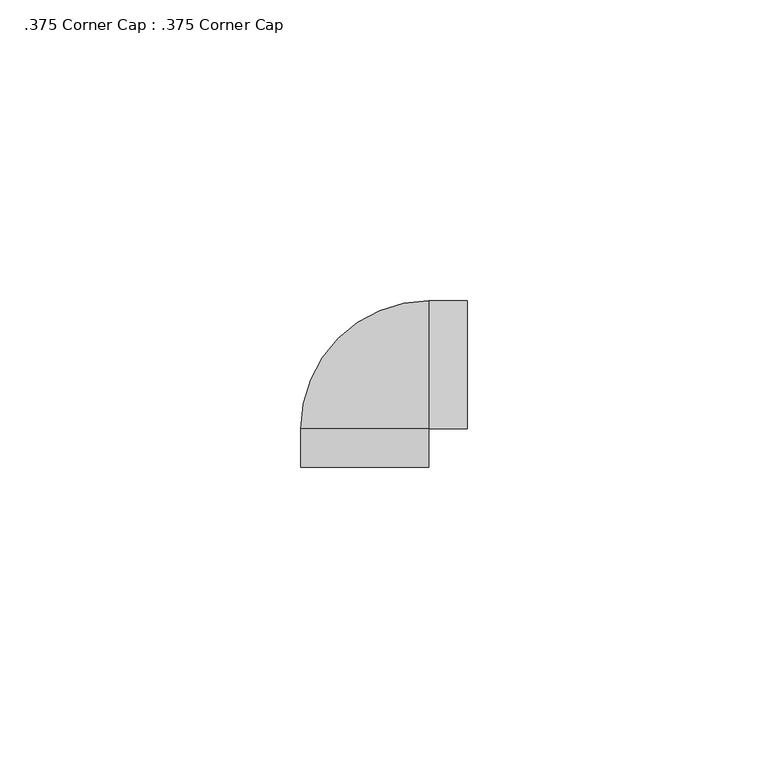
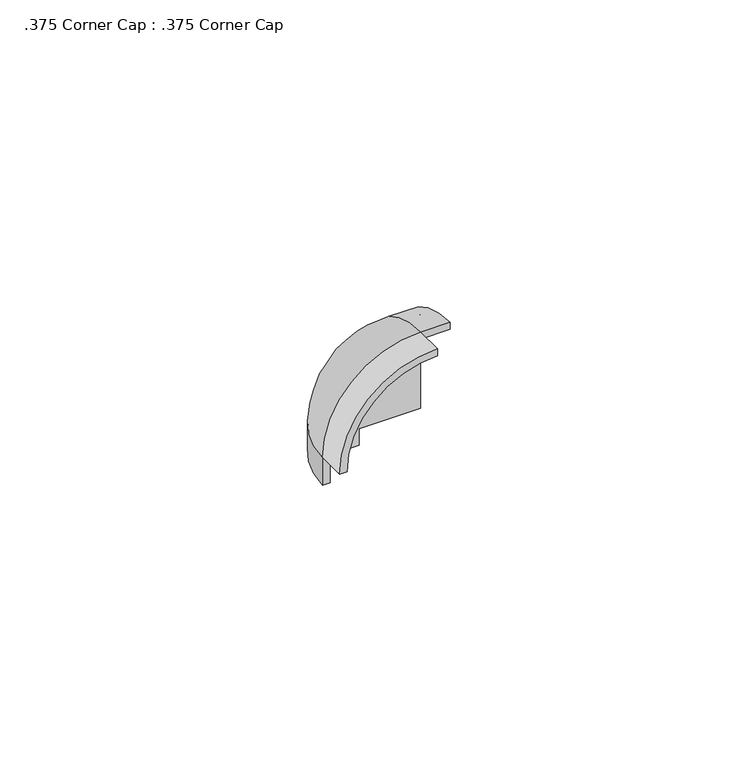
"""IFC4 building model written with IfcOpenShell, lengths in millimetres: proxy geometry, .375 Corner Cap : .375 Corner Cap."""

import ifcopenshell
import ifcopenshell.guid

model = None  # the IFC model being written
_history = None  # IfcOwnerHistory: only IFC2X3 demands one
_inside = {}  # id of a spatial element -> (the spatial element, [elements in it])
_under = {}  # id of a project, library or spatial element -> (it, [spatial elements below it])
_declared = {}  # id of a project -> (the project, [libraries it declares])
_typed = {}  # id of a type object -> (the type object, [elements of that type])
_made_of = {}  # id of a material, layer set ... -> (it, [elements and type objects made of it])


def new_model(schema):
    """Start an empty IFC model of exactly this schema.

    Asked for "IFC4X3", IfcOpenShell would pick the latest addendum, in which some entities
    have other attributes; the version numbers below select the first issue.
    IFC2X3 requires an IfcOwnerHistory on every rooted entity: one is made here for all.
    """
    global model, _history
    if schema == "IFC4X3":
        model = ifcopenshell.file(schema_version=(4, 3, 0, 0))
    else:
        model = ifcopenshell.file(schema=schema)
    _inside.clear()
    _under.clear()
    _declared.clear()
    _typed.clear()
    _made_of.clear()
    _history = None
    if model.schema == "IFC2X3":
        org = make("IfcOrganization", Name="unknown")
        user = make(
            "IfcPersonAndOrganization",
            ThePerson=make("IfcPerson", FamilyName="unknown"),
            TheOrganization=org,
        )
        app = make(
            "IfcApplication",
            ApplicationDeveloper=org,
            Version="unknown",
            ApplicationFullName="unknown",
            ApplicationIdentifier="unknown",
        )
        _history = make(
            "IfcOwnerHistory",
            OwningUser=user,
            OwningApplication=app,
            ChangeAction="ADDED",
            CreationDate=0,
        )
    return model


def make(cls, **values):
    """One entity of the class cls with the attributes given. An attribute that is None is left unset."""
    return model.create_entity(
        cls, **{name: value for name, value in values.items() if value is not None}
    )


def rooted(cls, **values):
    """An entity with a GlobalId (a new one), such as an element, a storey or a relation."""
    return make(cls, GlobalId=ifcopenshell.guid.new(), OwnerHistory=_history, **values)


def si_unit(unit_type, name, prefix=None):
    """IfcSIUnit, for example si_unit("LENGTHUNIT", "METRE", prefix="MILLI")."""
    return make("IfcSIUnit", UnitType=unit_type, Prefix=prefix, Name=name)


def assignment(units):
    """IfcUnitAssignment: the units of a project."""
    return None if units is None else make("IfcUnitAssignment", Units=units)


def point(xyz):
    """IfcCartesianPoint."""
    return None if xyz is None else make("IfcCartesianPoint", Coordinates=xyz)


def direction(xyz):
    """IfcDirection."""
    return None if xyz is None else make("IfcDirection", DirectionRatios=xyz)


def frame(location, z_axis=None, x_axis=None):
    """IfcAxis2Placement3D, a coordinate frame: its origin and axes. An axis left out is left unset."""
    return make(
        "IfcAxis2Placement3D",
        Location=point(location),
        Axis=direction(z_axis),
        RefDirection=direction(x_axis),
    )


def origin():
    """The frame at (0, 0, 0) with its axes left unset."""
    return frame((0.0, 0.0, 0.0))


def place(relative_to, where):
    """IfcLocalPlacement: puts the frame where relative to a parent placement (None: the world)."""
    return make(
        "IfcLocalPlacement", PlacementRelTo=relative_to, RelativePlacement=where
    )


def context(
    kind, dimensions, precision=None, world=None, true_north=None, identifier=None
):
    """IfcGeometricRepresentationContext, for example the 3D "Model" context."""
    return make(
        "IfcGeometricRepresentationContext",
        ContextIdentifier=identifier,
        ContextType=kind,
        CoordinateSpaceDimension=dimensions,
        Precision=precision,
        WorldCoordinateSystem=world,
        TrueNorth=true_north,
    )


def project(units=None, contexts=None):
    """IfcProject with its units and contexts."""
    return rooted(
        "IfcProject",
        Name="project",
        RepresentationContexts=contexts,
        UnitsInContext=assignment(units),
    )


def spatial(cls, under=None, at=None, **own):
    """A site, building, storey or space (cls), placed at a placement, below another one or the project."""
    s = rooted(cls, ObjectPlacement=at, **own)
    if under is not None:
        _under.setdefault(under.id(), (under, []))[1].append(s)
    return s


def polyline(points):
    """IfcPolyline through the points."""
    return make("IfcPolyline", Points=[point(p) for p in points])


def circle_curve(where, radius):
    """IfcCircle in the frame where."""
    return make("IfcCircle", Position=where, Radius=radius)


def ellipse_curve(where, semi_axis1, semi_axis2):
    """IfcEllipse in the frame where."""
    return make(
        "IfcEllipse", Position=where, SemiAxis1=semi_axis1, SemiAxis2=semi_axis2
    )


def trimmed(basis, trim1, trim2, sense, master):
    """IfcTrimmedCurve: the piece of a basis curve between two trims."""
    return make(
        "IfcTrimmedCurve",
        BasisCurve=basis,
        Trim1=trim1,
        Trim2=trim2,
        SenseAgreement=sense,
        MasterRepresentation=master,
    )


def shape(context_of_items, identifier, shape_type, items):
    """IfcShapeRepresentation: the items that make up one representation, for example the "Body"."""
    return make(
        "IfcShapeRepresentation",
        ContextOfItems=context_of_items,
        RepresentationIdentifier=identifier,
        RepresentationType=shape_type,
        Items=items,
    )


def source(mapping_origin, context_of_items, identifier, shape_type, items):
    """IfcRepresentationMap: a shape defined once, which mapped items show again and again."""
    return make(
        "IfcRepresentationMap",
        MappingOrigin=mapping_origin,
        MappedRepresentation=shape(context_of_items, identifier, shape_type, items),
    )


def transform(
    local_origin,
    x_axis=None,
    y_axis=None,
    z_axis=None,
    scale=None,
    scale2=None,
    scale3=None,
    uniform=True,
):
    """IfcCartesianTransformationOperator3D, or its non-uniform kind. x_axis, y_axis, z_axis: its Axis1, 2, 3."""
    if uniform:
        return make(
            "IfcCartesianTransformationOperator3D",
            Axis1=direction(x_axis),
            Axis2=direction(y_axis),
            LocalOrigin=point(local_origin),
            Scale=scale,
            Axis3=direction(z_axis),
        )
    return make(
        "IfcCartesianTransformationOperator3DnonUniform",
        Axis1=direction(x_axis),
        Axis2=direction(y_axis),
        LocalOrigin=point(local_origin),
        Scale=scale,
        Axis3=direction(z_axis),
        Scale2=scale2,
        Scale3=scale3,
    )


def mapped(mapping_source, mapping_target):
    """IfcMappedItem: shows the shape of a source again, moved by a transform."""
    return make(
        "IfcMappedItem", MappingSource=mapping_source, MappingTarget=mapping_target
    )


def made_of(thing, what):
    """Note that an element or type object is made of a material, layer set ...; save() writes the relation."""
    if what is not None:
        _made_of.setdefault(what.id(), (what, []))[1].append(thing)
    return thing


def element(
    cls,
    number,
    at=None,
    inside=None,
    cuts=None,
    type_object=None,
    material=None,
    context=None,
    identifier="Body",
    shape_type=None,
    held_by="IfcProductDefinitionShape",
    body=None,
    shapes=None,
    **own,
):
    """One element of the class cls, such as IfcWall. Its Tag is "e" and its number.

    at: its placement. inside: the storey or other place that contains it. cuts: it is an
    opening in that element (IfcRelVoidsElement). A single representation is given by context,
    identifier, shape_type and body (its items); several are given by shapes. held_by: the class
    of the entity that holds the representations. save() writes the other relations.
    """
    e = rooted(cls, Tag="e%d" % number, ObjectPlacement=at, **own)
    if body is not None:
        shapes = [shape(context, identifier, shape_type, body)]
    if shapes is not None:
        e.Representation = make(held_by, Representations=shapes)
    if inside is not None:
        _inside.setdefault(inside.id(), (inside, []))[1].append(e)
    if cuts is not None:
        rooted(
            "IfcRelVoidsElement", RelatingBuildingElement=cuts, RelatedOpeningElement=e
        )
    if type_object is not None:
        _typed.setdefault(type_object.id(), (type_object, []))[1].append(e)
    return made_of(e, material)


def aggregate(whole, parts):
    """IfcRelAggregates: a whole, such as a stair, and the parts it consists of."""
    return rooted("IfcRelAggregates", RelatingObject=whole, RelatedObjects=parts)


def save(model, path):
    """Write the relations noted so far, then the file.

    IfcRelAggregates (storeys below a building ...), IfcRelContainedInSpatialStructure (elements
    in a storey), IfcRelDefinesByType, IfcRelAssociatesMaterial and IfcRelDeclares: one each for
    every whole, place, type object, material and project.
    """
    for whole, parts in _under.values():
        aggregate(whole, parts)
    for where, things in _inside.values():
        rooted(
            "IfcRelContainedInSpatialStructure",
            RelatedElements=things,
            RelatingStructure=where,
        )
    for kind, things in _typed.values():
        rooted("IfcRelDefinesByType", RelatedObjects=things, RelatingType=kind)
    for what, things in _made_of.values():
        rooted("IfcRelAssociatesMaterial", RelatedObjects=things, RelatingMaterial=what)
    for by, libraries in _declared.values():
        rooted("IfcRelDeclares", RelatingContext=by, RelatedDefinitions=libraries)
    model.write(path)


def plane_surface(at):
    """IfcPlane: the flat surface through the origin of the frame at, square to its z axis."""
    return make("IfcPlane", Position=at)


def cylinder_surface(at, radius):
    """IfcCylindricalSurface: all points at the distance radius from the z axis of the frame at."""
    return make("IfcCylindricalSurface", Position=at, Radius=radius)


def revolved_surface(curve, axis_point, axis_direction):
    """IfcSurfaceOfRevolution: the curve turned about the line through axis_point along axis_direction."""
    return make(
        "IfcSurfaceOfRevolution",
        SweptCurve=make("IfcArbitraryOpenProfileDef", ProfileType="CURVE", Curve=curve),
        AxisPosition=make("IfcAxis1Placement", Location=point(axis_point), Axis=direction(axis_direction)),
    )


def advanced_brep(points, edges, surfaces, faces):
    """IfcAdvancedBrep: a solid bounded by faces that lie on surfaces and meet in shared edges.

    An edge is (start, end): straight between two places in points (the first is 0);
    or (start, end, curve); or (start, end, curve, False) where it runs against its curve.
    A face is (place in surfaces, loops), or (place, loops, False) where it looks against
    its surface's normal. A loop lists edges by number (the first is 1), with a minus sign
    where the edge is run from its end to its start. The first loop is the outer one.
    """
    corners = [point(p) for p in points]
    vertices = [make("IfcVertexPoint", VertexGeometry=c) for c in corners]
    made = []
    for start, end, *more in edges:
        made.append(
            make(
                "IfcEdgeCurve",
                EdgeStart=vertices[start],
                EdgeEnd=vertices[end],
                EdgeGeometry=more[0] if more else make("IfcPolyline", Points=[corners[start], corners[end]]),
                SameSense=more[1] if len(more) > 1 else True,
            )
        )
    hull = []
    for where, loops, *sense in faces:
        bounds = []
        for j, loop in enumerate(loops):
            ring = [make("IfcOrientedEdge", EdgeElement=made[abs(k) - 1], Orientation=k > 0) for k in loop]
            bounds.append(
                make(
                    "IfcFaceOuterBound" if j == 0 else "IfcFaceBound",
                    Bound=make("IfcEdgeLoop", EdgeList=ring),
                    Orientation=True,
                )
            )
        hull.append(make("IfcAdvancedFace", Bounds=bounds, FaceSurface=surfaces[where], SameSense=sense[0] if sense else True))
    return make("IfcAdvancedBrep", Outer=make("IfcClosedShell", CfsFaces=hull))


def proxy_375_corner_cap_375_corner_cap_9b5abe64(model_context):
    return source(origin(), model_context, "Body", "AdvancedBrep", [
        advanced_brep(
        [(0.0, -6.35, 27.6225), (-21.2725, -6.35, 6.35), (-19.685, -6.35, 6.35), (0.0, -6.35, 26.035), (0.0, 0.0, 26.035), (0.0, 0.0, 27.6225), (0.0, 0.0, 10.1596411), (0.0, 13.335, 10.1596411), (0.0, 13.335, 6.35), (0.0, 19.685, 6.35), (-19.685, 0.0, 6.35), (-21.2725, 0.0, 6.35), (-13.335, 0.0, 6.35), (6.35, 21.2725, 6.35), (6.35, 19.685, 6.35), (0.0, 21.2725, 6.35), (-13.335, 0.0, 10.1596411), (6.35, 0.0, 27.6225), (6.35, 0.0, 26.035), (0.0, 21.2725, 0.0), (0.0, 19.685, 0.0), (-19.685, 0.0, 0.0), (-21.2725, 0.0, 0.0)],
        [
            (0, 1, circle_curve(frame((0.0, -6.35, 6.35), z_axis=(0.0, -1.0, 0.0), x_axis=(-1.0, 0.0, 0.0)), 21.2725)),
            (1, 2),
            (2, 3, circle_curve(frame((0.0, -6.35, 6.35), z_axis=(0.0, 1.0, 0.0), x_axis=(-1.0, 0.0, 0.0)), 19.685)),
            (3, 0),
            (3, 4),
            (4, 5),
            (5, 0),
            (6, 7),
            (7, 8),
            (8, 9),
            (9, 4, circle_curve(frame((0.0, 0.0, 6.35), z_axis=(1.0, 0.0, 0.0), x_axis=(0.0, 1.0, 0.0)), 19.685)),
            (4, 6),
            (2, 10),
            (10, 4, circle_curve(frame((0.0, 0.0, 6.35), z_axis=(0.0, 1.0, 0.0), x_axis=(-1.0, 0.0, 0.0)), 19.685)),
            (1, 11),
            (11, 10),
            (8, 12, circle_curve(frame((0.0, 0.0, 6.35), z_axis=(0.0, 0.0, 1.0), x_axis=(0.0, 1.0, 0.0)), 13.335)),
            (12, 10),
            (10, 9, circle_curve(frame((0.0, 0.0, 6.35), z_axis=(0.0, 0.0, -1.0), x_axis=(-1.0, 0.0, 0.0)), 19.685)),
            (13, 14),
            (14, 9),
            (9, 15),
            (15, 13),
            (5, 11, circle_curve(frame((0.0, 0.0, 6.35), z_axis=(0.0, -1.0, 0.0), x_axis=(-1.0, 0.0, 0.0)), 21.2725)),
            (12, 16),
            (16, 6),
            (5, 15, circle_curve(frame((0.0, 0.0, 6.35), z_axis=(-1.0, 0.0, 0.0), x_axis=(0.0, 1.0, 0.0)), 21.2725)),
            (15, 11, circle_curve(frame((0.0, 0.0, 6.35), z_axis=(0.0, 0.0, 1.0), x_axis=(0.0, 1.0, 0.0)), 21.2725)),
            (16, 7, circle_curve(frame((0.0, 0.0, 10.1596411), z_axis=(0.0, 0.0, -1.0), x_axis=(0.0, 1.0, 0.0)), 13.335)),
            (17, 18),
            (18, 14, circle_curve(frame((6.35, 0.0, 6.35), z_axis=(-1.0, 0.0, 0.0), x_axis=(0.0, 1.0, 0.0)), 19.685)),
            (13, 17, circle_curve(frame((6.35, 0.0, 6.35), z_axis=(1.0, 0.0, 0.0), x_axis=(0.0, 1.0, 0.0)), 21.2725)),
            (17, 5),
            (4, 18),
            (19, 20),
            (20, 21, circle_curve(frame((0.0, 0.0, 0.0), z_axis=(0.0, 0.0, 1.0), x_axis=(-1.0, 0.0, 0.0)), 19.685)),
            (21, 22),
            (22, 19, circle_curve(frame((0.0, 0.0, 0.0), z_axis=(0.0, 0.0, -1.0), x_axis=(-1.0, 0.0, 0.0)), 21.2725)),
            (22, 11),
            (15, 19),
            (21, 10),
            (20, 9),
        ],
        [
            plane_surface(frame((-21.2725, -6.35, 6.35), z_axis=(0.0, -1.0, 0.0), x_axis=(0.0, 0.0, -1.0))),
            plane_surface(frame((0.0, -6.35, 26.035), z_axis=(1.0, 0.0, 0.0), x_axis=(0.0, 1.0, 0.0))),
            revolved_surface(polyline([(-19.685, 0.0, 6.35), (-19.685, -6.35, 6.35)]), (0.0, 0.0, 6.35), (0.0, 1.0, 0.0)),
            plane_surface(frame((-21.2725, -6.35, 6.35), z_axis=(0.0, 0.0, -1.0), x_axis=(0.0, 1.0, 0.0))),
            cylinder_surface(frame((0.0, 0.0, 6.35), z_axis=(0.0, -1.0, 0.0), x_axis=(-1.0, 0.0, 0.0)), 21.2725),
            plane_surface(frame((0.0, 0.0, 0.0), z_axis=(0.0, -1.0, 0.0), x_axis=(-1.0, 0.0, 0.0))),
            revolved_surface(trimmed(ellipse_curve(frame((0.0, 0.0, 6.35), z_axis=(1.0, 0.0, 0.0), x_axis=(0.0, 1.0, 0.0)), 21.2725, 21.2725), [point((0.0, 21.2725, 6.35))], [point((0.0, 0.0, 27.6225))], True, "CARTESIAN"), (0.0, 0.0, 0.0), (0.0, 0.0, 1.0)),
            plane_surface(frame((0.0, 0.0, 10.1596411), z_axis=(0.0, 0.0, -1.0), x_axis=(0.0, 1.0, 0.0))),
            revolved_surface(polyline([(0.0, 13.335, 10.1596411), (0.0, 13.335, 6.35)]), (0.0, 0.0, 0.0), (0.0, 0.0, 1.0)),
            plane_surface(frame((6.35, 0.0, 27.6225), z_axis=(1.0, 0.0, 0.0), x_axis=(0.0, 0.0, -1.0))),
            plane_surface(frame((6.35, 0.0, 27.6225), z_axis=(0.0, -1.0, 0.0), x_axis=(-1.0, 0.0, 0.0))),
            revolved_surface(polyline([(0.0, 19.685, 6.35), (6.35, 19.685, 6.35)]), (0.0, 0.0, 6.35), (-1.0, 0.0, 0.0)),
            cylinder_surface(frame((0.0, 0.0, 6.35), z_axis=(1.0, 0.0, 0.0), x_axis=(0.0, 1.0, 0.0)), 21.2725),
            plane_surface(frame((-21.2725, 0.0, 0.0), z_axis=(0.0, 0.0, -1.0), x_axis=(0.0, 1.0, 0.0))),
            cylinder_surface(frame((0.0, 0.0, 0.0), z_axis=(0.0, 0.0, 1.0), x_axis=(-1.0, 0.0, 0.0)), 21.2725),
            plane_surface(frame((-21.2725, 0.0, 6.35), z_axis=(0.0, -1.0, 0.0), x_axis=(0.0, 0.0, -1.0))),
            revolved_surface(polyline([(-19.685, 0.0, 0.0), (-19.685, 0.0, 6.35)]), (0.0, 0.0, 0.0), (0.0, 0.0, -1.0)),
            plane_surface(frame((0.0, 19.685, 6.35), z_axis=(1.0, 0.0, 0.0), x_axis=(0.0, 0.0, -1.0))),
        ],
        [
            (0, [[1, 2, 3, 4]]),
            (1, [[-4, 5, 6, 7]]),
            (1, [[8, 9, 10, 11, 12]]),
            (2, [[-3, 13, 14, -5]]),
            (3, [[-2, 15, 16, -13]]),
            (3, [[17, 18, 19, -10]]),
            (3, [[20, 21, 22, 23]]),
            (4, [[-1, -7, 24, -15]]),
            (5, [[25, 26, -12, -14, -18]]),
            (6, [[-24, 27, 28]]),
            (7, [[-8, -26, 29]]),
            (8, [[-9, -29, -25, -17]]),
            (9, [[30, 31, -20, 32]]),
            (10, [[-30, 33, -6, 34]]),
            (11, [[-31, -34, -11, -21]]),
            (12, [[-32, -23, -27, -33]]),
            (13, [[35, 36, 37, 38]]),
            (14, [[-38, 39, -28, 40]]),
            (15, [[-37, 41, -16, -39]]),
            (16, [[-36, 42, -19, -41]]),
            (17, [[-35, -40, -22, -42]]),
        ],
    ),
    ])


if __name__ == "__main__":
    model = new_model("IFC4")
    model_context = context("Model", 3, world=origin())
    ifc_project = project(units=[si_unit("LENGTHUNIT", "METRE", prefix="MILLI")], contexts=[model_context])
    site = spatial("IfcSite", under=ifc_project)
    building = spatial("IfcBuilding", under=site)
    placement = place(None, origin())
    proxy_375_corner_cap_375_corner_cap_shape = proxy_375_corner_cap_375_corner_cap_9b5abe64(model_context)
    element("IfcBuildingElementProxy", 1, Name=".375 Corner Cap : .375 Corner Cap", ObjectType=".375 Corner Cap : .375 Corner Cap", at=placement, inside=building, context=model_context, shape_type="MappedRepresentation", body=[
        mapped(proxy_375_corner_cap_375_corner_cap_shape, transform((0.0, 0.0, 0.0), x_axis=(1.0, 0.0, 0.0), y_axis=(0.0, 1.0, 0.0), z_axis=(0.0, 0.0, 1.0))),
    ])
    save(model, "model.ifc")
